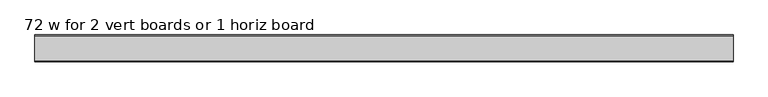
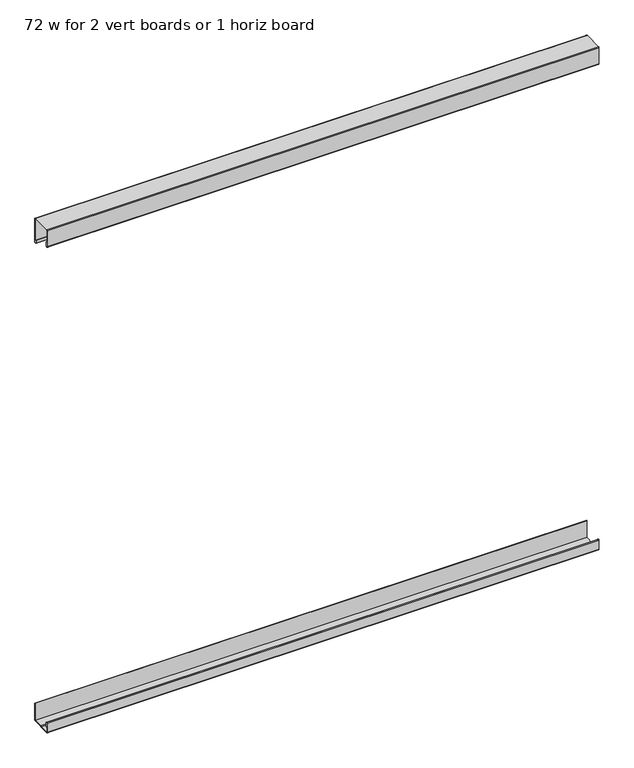
"""IFC4 building model written with IfcOpenShell, lengths in millimetres: furniture geometry, 72 w for 2 vert boards or 1 horiz board."""

from ifc_helpers import new_model, si_unit, point, frame, frame_2d, origin, place, context, project, spatial, polyline, circle_curve, trimmed, segment, composite_curve, outline, extrude, source, transform, mapped, element, save


def furniture_72_w_for_2_vert_boards_or_1_horiz_board_cb4f89f9(model_context):
    return source(origin(), model_context, "Body", "SweptSolid", [
        extrude(outline(composite_curve([segment(trimmed(circle_curve(frame_2d((-69.1476915, 2024.2188858)), 1.1302998), [point((-70.2779914, 2024.2188858))], [point((-68.0173917, 2024.2188858))], True, "CARTESIAN"), True, "CONTINUOUS"), segment(polyline([(-68.0173917, 2024.2188858), (-68.0173917, 2039.2048897), (-67.2368739, 2039.2048897), (-67.2368739, 2024.0565636)]), True, "CONTINUOUS"), segment(trimmed(circle_curve(frame_2d((-69.1476915, 2024.2188858)), 1.9176998), [point((-67.2368739, 2024.0565636))], [point((-71.0399907, 2023.9077962))], False, "CARTESIAN"), True, "CONTINUOUS"), segment(polyline([(-71.0399907, 2023.9077962), (-71.0399907, 2081.1966938)]), True, "CONTINUOUS"), segment(trimmed(circle_curve(frame_2d((-68.5018094, 2081.1966938)), 2.5381813), [point((-71.0399907, 2081.1966938))], [point((-68.5018094, 2083.7348751))], False, "CARTESIAN"), True, "CONTINUOUS"), segment(polyline([(-68.5018094, 2083.7348751), (-2.5750179, 2083.7348751)]), True, "CONTINUOUS"), segment(trimmed(circle_curve(frame_2d((-2.5750179, 2081.1598572)), 2.5750179), [point((-2.5750179, 2083.7348751))], [point((0.0, 2081.1598572))], False, "CARTESIAN"), True, "CONTINUOUS"), segment(polyline([(0.0, 2081.1598572), (0.0, 1997.8534605)]), True, "CONTINUOUS"), segment(trimmed(circle_curve(frame_2d((-1.184004, 1997.8534605)), 1.184004), [point((0.0, 1997.8534605))], [point((-1.184004, 1996.6694565))], False, "CARTESIAN"), True, "CONTINUOUS"), segment(polyline([(-1.184004, 1996.6694565), (-6.3753998, 1996.6694565), (-6.3753998, 2008.12481), (-5.5879998, 2008.12481), (-5.5879998, 1997.4568565), (-2.1518724, 1997.4568565)]), True, "CONTINUOUS"), segment(trimmed(circle_curve(frame_2d((-2.1518724, 1998.8467289)), 1.3898724), [point((-2.1518724, 1997.4568565))], [point((-0.762, 1998.8467289))], True, "CARTESIAN"), True, "CONTINUOUS"), segment(polyline([(-0.762, 1998.8467289), (-0.762, 2080.0609107)]), True, "CONTINUOUS"), segment(trimmed(circle_curve(frame_2d((-3.673947, 2080.0609107)), 2.911947), [point((-0.762, 2080.0609107))], [point((-3.673947, 2082.9728577))], True, "CARTESIAN"), True, "CONTINUOUS"), segment(polyline([(-3.673947, 2082.9728577), (-67.5729257, 2082.9728577)]), True, "CONTINUOUS"), segment(trimmed(circle_curve(frame_2d((-67.5729257, 2080.267792)), 2.7050657), [point((-67.5729257, 2082.9728577))], [point((-70.2779914, 2080.267792))], True, "CARTESIAN"), True, "CONTINUOUS"), segment(polyline([(-70.2779914, 2080.267792), (-70.2779914, 2024.2188858)]), True, "CONTINUOUS")], self_intersect=False)), frame((0.0, 0.0, 0.0), z_axis=(1.0, 0.0, 0.0), x_axis=(0.0, 1.0, 0.0)), (0.0, 0.0, 1.0), 1850.009),
        extrude(outline(composite_curve([segment(polyline([(-70.2779914, 336.9127564), (-70.2779914, 305.126986)]), True, "CONTINUOUS"), segment(trimmed(circle_curve(frame_2d((-67.5498257, 305.126986)), 2.7281657), [point((-70.2779914, 305.126986))], [point((-67.5498257, 302.3988203))], True, "CARTESIAN"), True, "CONTINUOUS"), segment(polyline([(-67.5498257, 302.3988203), (-35.5199953, 302.3988203), (-33.9959945, 304.2987406), (-0.7874, 304.2987406), (-0.7874, 363.8198021), (0.0, 363.8198021), (0.0, 303.5113406), (-33.6181818, 303.5113406), (-35.1421827, 301.6114203), (-67.9402033, 301.6114203)]), True, "CONTINUOUS"), segment(trimmed(circle_curve(frame_2d((-67.9402033, 304.7366083)), 3.1251881), [point((-67.9402033, 301.6114203))], [point((-71.0653914, 304.7366083))], False, "CARTESIAN"), True, "CONTINUOUS"), segment(polyline([(-71.0653914, 304.7366083), (-71.0653914, 336.9127564)]), True, "CONTINUOUS"), segment(trimmed(circle_curve(frame_2d((-69.1476915, 336.9127564)), 1.9176998), [point((-71.0653914, 336.9127564))], [point((-67.2299917, 336.9127564))], False, "CARTESIAN"), True, "CONTINUOUS"), segment(polyline([(-67.2299917, 336.9127564), (-67.2299917, 321.9267526), (-68.0173917, 321.9267526), (-68.0173917, 336.9127564)]), True, "CONTINUOUS"), segment(trimmed(circle_curve(frame_2d((-69.1476915, 336.9127564)), 1.1302998), [point((-68.0173917, 336.9127564))], [point((-70.2779914, 336.9127564))], True, "CARTESIAN"), True, "CONTINUOUS")], self_intersect=False)), frame((0.0, 0.0, 0.0), z_axis=(1.0, 0.0, 0.0), x_axis=(0.0, 1.0, 0.0)), (0.0, 0.0, 1.0), 1850.009),
    ])


if __name__ == "__main__":
    model = new_model("IFC4")
    model_context = context("Model", 3, world=origin())
    ifc_project = project(units=[si_unit("LENGTHUNIT", "METRE", prefix="MILLI")], contexts=[model_context])
    site = spatial("IfcSite", under=ifc_project)
    building = spatial("IfcBuilding", under=site)
    placement = place(None, origin())
    furniture_72_w_for_2_vert_boards_or_1_horiz_board_shape = furniture_72_w_for_2_vert_boards_or_1_horiz_board_cb4f89f9(model_context)
    element("IfcFurniture", 1, ObjectType="72 w for 2 vert boards or 1 horiz board", at=placement, inside=building, context=model_context, shape_type="MappedRepresentation", body=[
        mapped(furniture_72_w_for_2_vert_boards_or_1_horiz_board_shape, transform((0.0, 0.0, 0.0), x_axis=(1.0, 0.0, 0.0), y_axis=(0.0, 1.0, 0.0), z_axis=(0.0, 0.0, 1.0))),
    ])
    save(model, "model.ifc")
